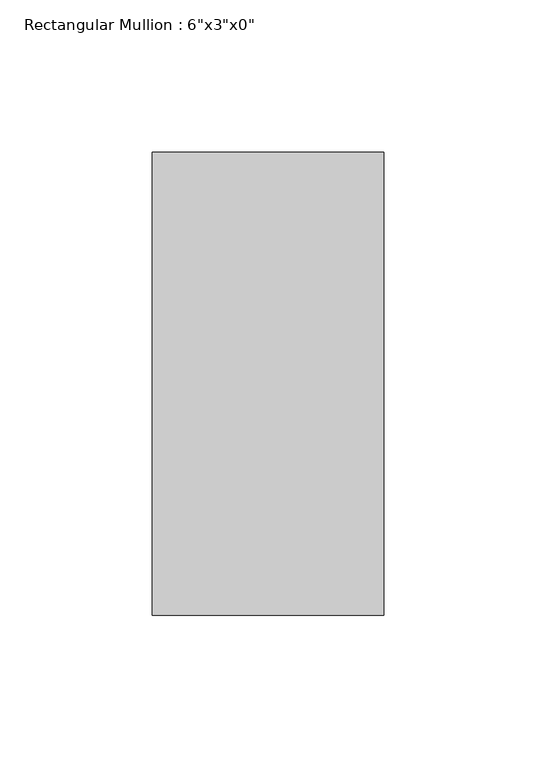
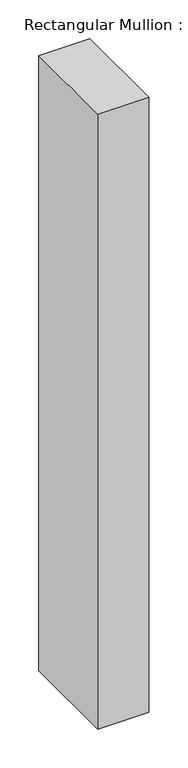
"""IFC4 building model written with IfcOpenShell, lengths in millimetres: member geometry."""

from ifc_helpers import new_model, si_unit, frame, origin, place, context, project, spatial, polyline, outline, extrude, source, transform, mapped, element, save


def member_9f82322e(model_context):
    return source(origin(), model_context, "Body", "SweptSolid", [
        extrude(outline(polyline([(38.1, 76.2), (38.1, -76.2), (-38.1, -76.2), (-38.1, 76.2), (38.1, 76.2)])), frame((0.0, 0.0, -969.4333333), z_axis=(0.0, 0.0, 1.0), x_axis=(1.0, 0.0, 0.0)), (0.0, 0.0, 1.0), 969.4333333),
    ])


if __name__ == "__main__":
    model = new_model("IFC4")
    model_context = context("Model", 3, world=origin())
    ifc_project = project(units=[si_unit("LENGTHUNIT", "METRE", prefix="MILLI")], contexts=[model_context])
    site = spatial("IfcSite", under=ifc_project)
    building = spatial("IfcBuilding", under=site)
    placement = place(None, origin())
    member_shape = member_9f82322e(model_context)
    element("IfcMember", 1, ObjectType="Rectangular Mullion : 6\"x3\"x0\"", at=placement, inside=building, context=model_context, shape_type="MappedRepresentation", body=[
        mapped(member_shape, transform((0.0, 0.0, 0.0), x_axis=(1.0, 0.0, 0.0), y_axis=(0.0, 1.0, 0.0), z_axis=(0.0, 0.0, 1.0))),
    ])
    save(model, "model.ifc")
